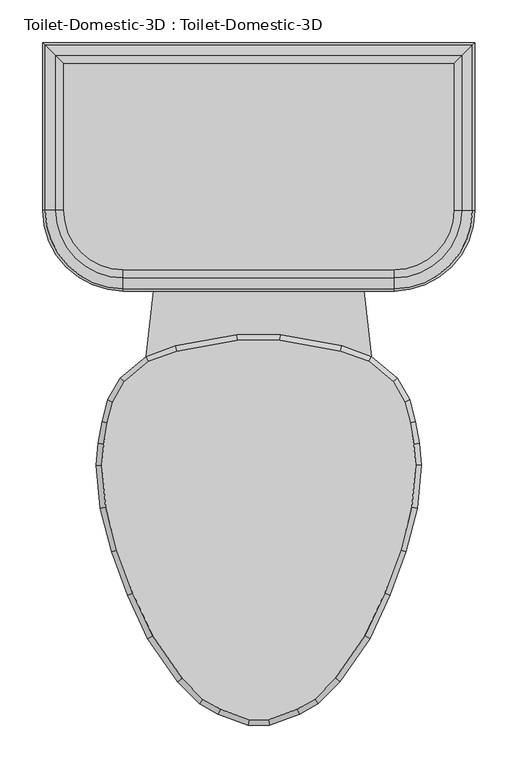
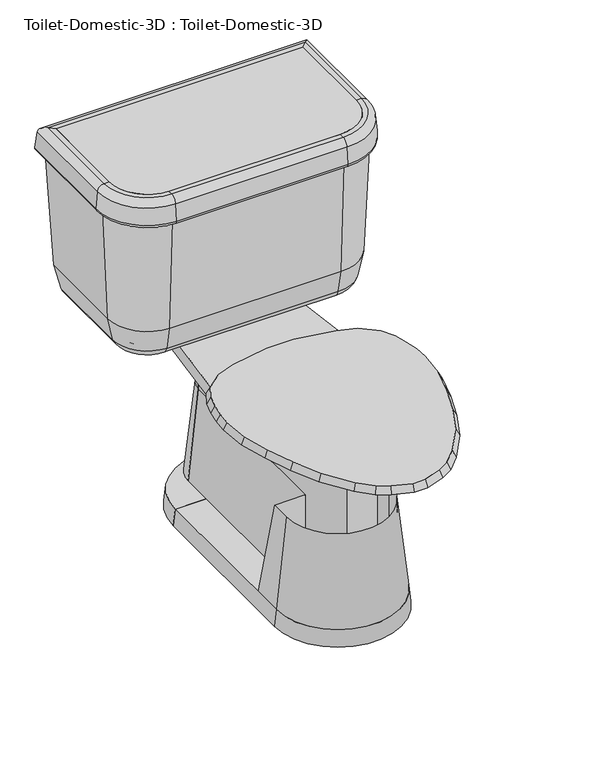
"""IFC4 building model written with IfcOpenShell, lengths in millimetres: flow terminal geometry, Toilet-Domestic-3D : Toilet-Domestic-3D."""

from ifc_helpers import new_model, si_unit, point, frame, frame_2d, origin, place, context, project, spatial, polyline, circle_curve, ellipse_curve, trimmed, segment, composite_curve, outline, extrude, faceted_brep, source, transform, mapped, element, save
from ifc_brep_helpers import plane_surface, cylinder_surface, revolved_surface, advanced_brep


def toilet_domestic_3d_toilet_domestic_3d_f7549cf7(model_context):
    return source(origin(), model_context, "Body", "SolidModel", [
        advanced_brep(
        [(-117.7636364, 285.75, 0.0), (-38.1, 285.75, 0.0), (-38.1, 285.75, 31.75), (-114.3, 285.75, 31.75), (117.7636364, 285.75, 0.0), (114.3, 285.75, 31.75), (38.1, 285.75, 31.75), (38.1, 285.75, 0.0)],
        [
            (0, 1),
            (1, 2),
            (2, 3),
            (3, 0),
            (4, 5),
            (5, 6),
            (6, 7),
            (7, 4),
            (7, 1, circle_curve(frame((0.0, 285.75, 0.0), z_axis=(0.0, 0.0, 1.0), x_axis=(-1.0, 0.0, 0.0)), 38.1)),
            (0, 4, circle_curve(frame((0.0, 285.75, 0.0), z_axis=(0.0, 0.0, -1.0), x_axis=(-1.0, 0.0, 0.0)), 117.7636364)),
            (6, 2, circle_curve(frame((0.0, 285.75, 31.75), z_axis=(0.0, 0.0, 1.0), x_axis=(-1.0, 0.0, 0.0)), 38.1)),
            (5, 3, circle_curve(frame((0.0, 285.75, 31.75), z_axis=(0.0, 0.0, 1.0), x_axis=(-1.0, 0.0, 0.0)), 114.3)),
        ],
        [
            plane_surface(frame((0.0, 285.75, -304.8), z_axis=(0.0, -1.0, 0.0), x_axis=(-1.0, 0.0, 0.0))),
            plane_surface(frame((0.0, 285.75, -304.8), z_axis=(0.0, -1.0, 0.0), x_axis=(1.0, 0.0, 0.0))),
            plane_surface(frame((0.0, 285.75, 0.0), z_axis=(0.0, 0.0, -1.0), x_axis=(-1.0, 0.0, 0.0))),
            revolved_surface(polyline([(-38.1, 285.75, 0.0), (-38.1, 285.75, 31.75)]), (0.0, 285.75, -304.8), (0.0, 0.0, -1.0)),
            plane_surface(frame((0.0, 285.75, 31.75), z_axis=(0.0, 0.0, 1.0), x_axis=(-1.0, 0.0, 0.0))),
            revolved_surface(polyline([(-114.3, 285.75, 31.75), (-117.7636364, 285.75, 0.0)]), (0.0, 285.75, -304.8), (0.0, 0.0, -1.0)),
        ],
        [
            (0, [[1, 2, 3, 4]]),
            (1, [[5, 6, 7, 8]]),
            (2, [[9, -1, 10, -8]]),
            (3, [[11, -2, -9, -7]]),
            (4, [[12, -3, -11, -6]]),
            (5, [[-10, -4, -12, -5]]),
        ],
    ),
        advanced_brep(
        [(-38.1, 342.9, 206.375), (-57.15, 342.9, 31.75), (-38.1, 342.9, 31.75), (38.1, 342.9, 206.375), (38.1, 342.9, 31.75), (57.15, 342.9, 31.75)],
        [
            (0, 1),
            (1, 2),
            (2, 0),
            (3, 4),
            (4, 5),
            (5, 3),
            (5, 1, circle_curve(frame((0.0, 342.9, 31.75), z_axis=(0.0, 0.0, 1.0), x_axis=(-1.0, 0.0, 0.0)), 57.15)),
            (0, 3, circle_curve(frame((0.0, 342.9, 206.375), z_axis=(0.0, 0.0, -1.0), x_axis=(-1.0, 0.0, 0.0)), 38.1)),
            (4, 2, circle_curve(frame((0.0, 342.9, 31.75), z_axis=(0.0, 0.0, 1.0), x_axis=(-1.0, 0.0, 0.0)), 38.1)),
        ],
        [
            plane_surface(frame((0.0, 342.9, 31.75), z_axis=(0.0, -1.0, 0.0), x_axis=(-1.0, 0.0, 0.0))),
            plane_surface(frame((0.0, 342.9, 31.75), z_axis=(0.0, -1.0, 0.0), x_axis=(1.0, 0.0, 0.0))),
            revolved_surface(polyline([(-38.1, 342.9, 206.375), (-57.15, 342.9, 31.75)]), (0.0, 342.9, 31.75), (0.0, 0.0, -1.0)),
            plane_surface(frame((0.0, 342.9, 31.75), z_axis=(0.0, 0.0, -1.0), x_axis=(-1.0, 0.0, 0.0))),
            revolved_surface(polyline([(-38.1, 342.9, 31.75), (-38.1, 342.9, 206.375)]), (0.0, 342.9, 31.75), (0.0, 0.0, -1.0)),
        ],
        [
            (0, [[1, 2, 3]]),
            (1, [[4, 5, 6]]),
            (2, [[7, -1, 8, -6]]),
            (3, [[9, -2, -7, -5]]),
            (4, [[-8, -3, -9, -4]]),
        ],
    ),
        faceted_brep([(-157.6293435, 97.472128, 400.05), (-171.060664, 73.773864, 400.05), (-177.5851102, 49.4242991, 400.05), (-181.9845715, 24.4737144, 400.05), (-184.125744, 0.0, 400.05), (-179.7950716, -49.4998127, 400.05), (-166.347, -99.688699, 400.05), (-148.0469602, -149.9676451, 400.05), (-124.7045808, -200.0255393, 400.05), (-90.0971582, -249.9125941, 400.05), (-65.691017, -274.3187354, 400.05), (-44.8990862, -286.3229622, 400.05), (-11.5803237, -298.45, 400.05), (11.5803237, -298.45, 400.05), (44.8990862, -286.3229622, 400.05), (65.691017, -274.3187354, 400.05), (90.0971582, -249.9125941, 400.05), (124.7045808, -200.0255393, 400.05), (148.0469602, -149.9676451, 400.05), (166.347, -99.688699, 400.05), (179.7950716, -49.4998127, 400.05), (184.125744, 0.0, 400.05), (181.9845715, 24.4737144, 400.05), (177.5851102, 49.4242991, 400.05), (171.060664, 73.773864, 400.05), (157.6293435, 97.472128, 400.05), (129.0942628, 121.4159037, 400.05), (95.7755003, 133.5429415, 400.05), (24.844447, 146.05, 400.05), (-24.844447, 146.05, 400.05), (-95.7755003, 133.5429415, 400.05), (-129.0942628, 121.4159037, 400.05), (-162.5887836, 101.6, 387.2181453), (-132.3182423, 127.0, 387.2181453), (-97.4252791, 139.7, 387.2181453), (-25.4, 152.4, 387.2181453), (25.4, 152.4, 387.2181453), (97.4252791, 139.7, 387.2181453), (132.3182423, 127.0, 387.2181453), (162.5887836, 101.6, 387.2181453), (176.9845865, 76.2, 387.2181453), (183.790496, 50.8, 387.2181453), (188.2862441, 25.3033453, 387.2181453), (190.5, 0.0, 387.2181453), (186.0724883, -50.6066907, 387.2181453), (172.4088722, -101.6, 387.2181453), (153.9191843, -152.4, 387.2181453), (130.2307553, -203.2, 387.2181453), (94.9900085, -254.0, 387.2181453), (69.5900085, -279.4, 387.2181453), (47.5929632, -292.1, 387.2181453), (12.7, -304.8, 387.2181453), (-12.7, -304.8, 387.2181453), (-47.5929632, -292.1, 387.2181453), (-69.5900085, -279.4, 387.2181453), (-94.9900085, -254.0, 387.2181453), (-130.2307553, -203.2, 387.2181453), (-153.9191843, -152.4, 387.2181453), (-172.4088722, -101.6, 387.2181453), (-186.0724883, -50.6066907, 387.2181453), (-190.5, 0.0, 387.2181453), (-188.2862441, 25.3033453, 387.2181453), (-183.790496, 50.8, 387.2181453), (-176.9845865, 76.2, 387.2181453)], [[[0, 1, 2, 3, 4, 5, 6, 7, 8, 9, 10, 11, 12, 13, 14, 15, 16, 17, 18, 19, 20, 21, 22, 23, 24, 25, 26, 27, 28, 29, 30, 31]], [[32, 33, 34, 35, 36, 37, 38, 39, 40, 41, 42, 43, 44, 45, 46, 47, 48, 49, 50, 51, 52, 53, 54, 55, 56, 57, 58, 59, 60, 61, 62, 63]], [[32, 63, 1, 0]], [[63, 62, 2, 1]], [[62, 61, 3, 2]], [[61, 60, 4, 3]], [[60, 59, 5, 4]], [[59, 58, 6, 5]], [[58, 57, 7, 6]], [[57, 56, 8, 7]], [[56, 55, 9, 8]], [[55, 54, 10, 9]], [[54, 53, 11, 10]], [[53, 52, 12, 11]], [[52, 51, 13, 12]], [[51, 50, 14, 13]], [[50, 49, 15, 14]], [[49, 48, 16, 15]], [[48, 47, 17, 16]], [[47, 46, 18, 17]], [[46, 45, 19, 18]], [[45, 44, 20, 19]], [[44, 43, 21, 20]], [[43, 42, 22, 21]], [[42, 41, 23, 22]], [[41, 40, 24, 23]], [[40, 39, 25, 24]], [[39, 38, 26, 25]], [[38, 37, 27, 26]], [[37, 36, 28, 27]], [[36, 35, 29, 28]], [[35, 34, 30, 29]], [[34, 33, 31, 30]], [[33, 32, 0, 31]]]),
        extrude(outline(composite_curve([segment(polyline([(228.5868869, 469.8868869), (228.5868869, 298.45)]), True, "CONTINUOUS"), segment(trimmed(circle_curve(frame_2d((158.75, 298.45)), 69.8368869), [point((228.5868869, 298.45))], [point((158.75, 228.6131131))], False, "CARTESIAN"), True, "CONTINUOUS"), segment(polyline([(158.75, 228.6131131), (-158.75, 228.6131131)]), True, "CONTINUOUS"), segment(trimmed(circle_curve(frame_2d((-158.75, 298.45)), 69.8368869), [point((-158.75, 228.6131131))], [point((-228.5868869, 298.45))], False, "CARTESIAN"), True, "CONTINUOUS"), segment(polyline([(-228.5868869, 298.45), (-228.5868869, 469.8868869), (228.5868869, 469.8868869)]), True, "CONTINUOUS")], self_intersect=False)), frame((0.0, 0.0, 654.05), z_axis=(0.0, 0.0, 1.0), x_axis=(1.0, 0.0, 0.0)), (0.0, 0.0, 1.0), 50.8),
        extrude(outline(composite_curve([segment(trimmed(circle_curve(frame_2d((0.0, 342.9)), 38.1), [point((-38.1, 342.9))], [point((38.1, 342.9))], False, "CARTESIAN"), True, "CONTINUOUS"), segment(polyline([(38.1, 342.9), (-38.1, 342.9)]), True, "CONTINUOUS")], self_intersect=False)), frame((0.0, 0.0, 206.375), z_axis=(0.0, 0.0, 1.0), x_axis=(1.0, 0.0, 0.0)), (0.0, 0.0, 1.0), 130.175),
        advanced_brep(
        [(177.8, 419.1, 387.2181453), (177.8, 419.1, 374.65), (177.8, 298.45, 374.65), (177.8, 298.45, 387.2181453), (192.8020829, 434.1020829, 387.2181453), (192.8020829, 298.45, 387.2181453), (211.4650931, 452.7650931, 402.4478636), (211.4650931, 298.45, 402.4478636), (218.7732506, 460.0732506, 438.15), (218.7732506, 298.45, 438.15), (228.5868869, 469.8868869, 654.05), (228.5868869, 298.45, 654.05), (228.5868869, 469.8868869, 704.85), (228.5868869, 298.45, 704.85), (237.91817, 479.21817, 704.85), (237.91817, 298.45, 704.85), (250.5698426, 491.8698426, 693.2568779), (250.5698426, 298.45, 693.2568779), (253.3960274, 494.6960274, 660.953439), (253.3960274, 298.45, 660.953439), (247.070191, 488.370191, 654.05), (247.070191, 298.45, 654.05), (241.3, 482.6, 654.05), (241.3, 298.45, 654.05), (231.4863636, 472.7863636, 438.15), (231.4863636, 298.45, 438.15), (222.3416824, 463.6416824, 393.4759963), (222.3416824, 298.45, 393.4759963), (197.8071664, 439.1071664, 374.65), (197.8071664, 298.45, 374.65), (158.75, 279.4, 387.2181453), (158.75, 279.4, 374.65), (158.75, 264.3979171, 387.2181453), (158.75, 245.7349069, 402.4478636), (158.75, 238.4267494, 438.15), (158.75, 228.6131131, 654.05), (158.75, 228.6131131, 704.85), (158.75, 219.28183, 704.85), (158.75, 206.6301574, 693.2568779), (158.75, 203.8039726, 660.953439), (158.75, 210.129809, 654.05), (158.75, 215.9, 654.05), (158.75, 225.7136364, 438.15), (158.75, 234.8583176, 393.4759963), (158.75, 259.3928336, 374.65), (-158.75, 279.4, 374.65), (-158.75, 279.4, 387.2181453), (-158.75, 264.3979171, 387.2181453), (-158.75, 245.7349069, 402.4478636), (-158.75, 238.4267494, 438.15), (-158.75, 228.6131131, 654.05), (-158.75, 228.6131131, 704.85), (-158.75, 219.28183, 704.85), (-158.75, 206.6301574, 693.2568779), (-158.75, 203.8039726, 660.953439), (-158.75, 210.129809, 654.05), (-158.75, 215.9, 654.05), (-158.75, 225.7136364, 438.15), (-158.75, 234.8583176, 393.4759963), (-158.75, 259.3928336, 374.65), (-177.8, 298.45, 387.2181453), (-177.8, 298.45, 374.65), (-192.8020829, 298.45, 387.2181453), (-211.4650931, 298.45, 402.4478636), (-218.7732506, 298.45, 438.15), (-228.5868869, 298.45, 654.05), (-228.5868869, 298.45, 704.85), (-237.91817, 298.45, 704.85), (-250.5698426, 298.45, 693.2568779), (-253.3960274, 298.45, 660.953439), (-247.070191, 298.45, 654.05), (-241.3, 298.45, 654.05), (-231.4863636, 298.45, 438.15), (-222.3416824, 298.45, 393.4759963), (-197.8071664, 298.45, 374.65), (-177.8, 419.1, 374.65), (-177.8, 419.1, 387.2181453), (-192.8020829, 434.1020829, 387.2181453), (-211.4650931, 452.7650931, 402.4478636), (-218.7732506, 460.0732506, 438.15), (-228.5868869, 469.8868869, 654.05), (-228.5868869, 469.8868869, 704.85), (-237.91817, 479.21817, 704.85), (-250.5698426, 491.8698426, 693.2568779), (-253.3960274, 494.6960274, 660.953439), (-247.070191, 488.370191, 654.05), (-241.3, 482.6, 654.05), (-231.4863636, 472.7863636, 438.15), (-222.3416824, 463.6416824, 393.4759963), (-197.8071664, 439.1071664, 374.65)],
        [
            (0, 1),
            (1, 2),
            (2, 3),
            (3, 0),
            (4, 0),
            (3, 5),
            (5, 4),
            (6, 4, ellipse_curve(frame((192.8020829, 434.1020829, 406.2681453), z_axis=(-0.7071067811865451, 0.7071067811865498, 0.0), x_axis=(-0.7071067811865497, -0.7071067811865452, 0.0)), 26.9407684, 19.05)),
            (5, 7, circle_curve(frame((192.8020829, 298.45, 406.2681453), z_axis=(0.0, -1.0, 0.0), x_axis=(1.0, 0.0, 0.0)), 19.05)),
            (7, 6),
            (8, 6),
            (7, 9),
            (9, 8),
            (10, 8),
            (9, 11),
            (11, 10),
            (12, 10),
            (11, 13),
            (13, 12),
            (14, 12),
            (13, 15),
            (15, 14),
            (16, 14, ellipse_curve(frame((237.91817, 479.21817, 692.15), z_axis=(0.7071067811865451, -0.7071067811865498, 0.0), x_axis=(0.7071067811865497, 0.7071067811865452, 0.0)), 17.9605122, 12.7)),
            (15, 17, circle_curve(frame((237.91817, 298.45, 692.15), z_axis=(0.0, 1.0, 0.0), x_axis=(1.0, 0.0, 0.0)), 12.7)),
            (17, 16),
            (18, 16),
            (17, 19),
            (19, 18),
            (20, 18, ellipse_curve(frame((247.070191, 488.370191, 660.4), z_axis=(0.7071067811865451, -0.7071067811865498, 0.0), x_axis=(0.7071067811865497, 0.7071067811865452, 0.0)), 8.9802561, 6.35)),
            (19, 21, circle_curve(frame((247.070191, 298.45, 660.4), z_axis=(0.0, 1.0, 0.0), x_axis=(1.0, 0.0, 0.0)), 6.35)),
            (21, 20),
            (22, 20),
            (21, 23),
            (23, 22),
            (24, 22),
            (23, 25),
            (25, 24),
            (26, 24),
            (25, 27),
            (27, 26),
            (28, 26, ellipse_curve(frame((197.8071664, 439.1071664, 400.05), z_axis=(0.7071067811865451, -0.7071067811865498, 0.0), x_axis=(0.7071067811865497, 0.7071067811865452, 0.0)), 35.9210245, 25.4)),
            (27, 29, circle_curve(frame((197.8071664, 298.45, 400.05), z_axis=(0.0, 1.0, 0.0), x_axis=(1.0, 0.0, 0.0)), 25.4)),
            (29, 28),
            (1, 28),
            (29, 2),
            (30, 3, circle_curve(frame((158.75, 298.45, 387.2181453), z_axis=(0.0, 0.0, 1.0), x_axis=(1.0, 0.0, 0.0)), 19.05)),
            (2, 31, circle_curve(frame((158.75, 298.45, 374.65), z_axis=(0.0, 0.0, -1.0), x_axis=(1.0, 0.0, 0.0)), 19.05)),
            (31, 30),
            (32, 5, circle_curve(frame((158.75, 298.45, 387.2181453), z_axis=(0.0, 0.0, 1.0), x_axis=(1.0, 0.0, 0.0)), 34.0520829)),
            (30, 32),
            (33, 7, circle_curve(frame((158.75, 298.45, 402.4478636), z_axis=(0.0, 0.0, 1.0), x_axis=(1.0, 0.0, 0.0)), 52.7150931)),
            (32, 33, circle_curve(frame((158.75, 264.3979171, 406.2681453), z_axis=(-1.0, 0.0, 0.0), x_axis=(0.0, -1.0, 0.0)), 19.05)),
            (34, 9, circle_curve(frame((158.75, 298.45, 438.15), z_axis=(0.0, 0.0, 1.0), x_axis=(1.0, 0.0, 0.0)), 60.0232506)),
            (33, 34),
            (35, 11, circle_curve(frame((158.75, 298.45, 654.05), z_axis=(0.0, 0.0, 1.0), x_axis=(1.0, 0.0, 0.0)), 69.8368869)),
            (34, 35),
            (36, 13, circle_curve(frame((158.75, 298.45, 704.85), z_axis=(0.0, 0.0, 1.0), x_axis=(1.0, 0.0, 0.0)), 69.8368869)),
            (35, 36),
            (37, 15, circle_curve(frame((158.75, 298.45, 704.85), z_axis=(0.0, 0.0, 1.0), x_axis=(1.0, 0.0, 0.0)), 79.16817)),
            (36, 37),
            (38, 17, circle_curve(frame((158.75, 298.45, 693.2568779), z_axis=(0.0, 0.0, 1.0), x_axis=(1.0, 0.0, 0.0)), 91.8198426)),
            (37, 38, circle_curve(frame((158.75, 219.28183, 692.15), z_axis=(1.0, 0.0, 0.0), x_axis=(0.0, -1.0, 0.0)), 12.7)),
            (39, 19, circle_curve(frame((158.75, 298.45, 660.953439), z_axis=(0.0, 0.0, 1.0), x_axis=(1.0, 0.0, 0.0)), 94.6460274)),
            (38, 39),
            (40, 21, circle_curve(frame((158.75, 298.45, 654.05), z_axis=(0.0, 0.0, 1.0), x_axis=(1.0, 0.0, 0.0)), 88.320191)),
            (39, 40, circle_curve(frame((158.75, 210.129809, 660.4), z_axis=(1.0, 0.0, 0.0), x_axis=(0.0, -1.0, 0.0)), 6.35)),
            (41, 23, circle_curve(frame((158.75, 298.45, 654.05), z_axis=(0.0, 0.0, 1.0), x_axis=(1.0, 0.0, 0.0)), 82.55)),
            (40, 41),
            (42, 25, circle_curve(frame((158.75, 298.45, 438.15), z_axis=(0.0, 0.0, 1.0), x_axis=(1.0, 0.0, 0.0)), 72.7363636)),
            (41, 42),
            (43, 27, circle_curve(frame((158.75, 298.45, 393.4759963), z_axis=(0.0, 0.0, 1.0), x_axis=(1.0, 0.0, 0.0)), 63.5916824)),
            (42, 43),
            (44, 29, circle_curve(frame((158.75, 298.45, 374.65), z_axis=(0.0, 0.0, 1.0), x_axis=(1.0, 0.0, 0.0)), 39.0571664)),
            (43, 44, circle_curve(frame((158.75, 259.3928336, 400.05), z_axis=(1.0, 0.0, 0.0), x_axis=(0.0, -1.0, 0.0)), 25.4)),
            (44, 31),
            (31, 45),
            (45, 46),
            (46, 30),
            (46, 47),
            (47, 32),
            (47, 48, circle_curve(frame((-158.75, 264.3979171, 406.2681453), z_axis=(-1.0, 0.0, 0.0), x_axis=(0.0, -1.0, 0.0)), 19.05)),
            (48, 33),
            (48, 49),
            (49, 34),
            (49, 50),
            (50, 35),
            (50, 51),
            (51, 36),
            (51, 52),
            (52, 37),
            (52, 53, circle_curve(frame((-158.75, 219.28183, 692.15), z_axis=(1.0, 0.0, 0.0), x_axis=(0.0, -1.0, 0.0)), 12.7)),
            (53, 38),
            (53, 54),
            (54, 39),
            (54, 55, circle_curve(frame((-158.75, 210.129809, 660.4), z_axis=(1.0, 0.0, 0.0), x_axis=(0.0, -1.0, 0.0)), 6.35)),
            (55, 40),
            (55, 56),
            (56, 41),
            (56, 57),
            (57, 42),
            (57, 58),
            (58, 43),
            (58, 59, circle_curve(frame((-158.75, 259.3928336, 400.05), z_axis=(1.0, 0.0, 0.0), x_axis=(0.0, -1.0, 0.0)), 25.4)),
            (59, 44),
            (59, 45),
            (60, 46, circle_curve(frame((-158.75, 298.45, 387.2181453), z_axis=(0.0, 0.0, 1.0), x_axis=(0.0, -1.0, 0.0)), 19.05)),
            (45, 61, circle_curve(frame((-158.75, 298.45, 374.65), z_axis=(0.0, 0.0, -1.0), x_axis=(0.0, -1.0, 0.0)), 19.05)),
            (61, 60),
            (62, 47, circle_curve(frame((-158.75, 298.45, 387.2181453), z_axis=(0.0, 0.0, 1.0), x_axis=(0.0, -1.0, 0.0)), 34.0520829)),
            (60, 62),
            (63, 48, circle_curve(frame((-158.75, 298.45, 402.4478636), z_axis=(0.0, 0.0, 1.0), x_axis=(0.0, -1.0, 0.0)), 52.7150931)),
            (62, 63, circle_curve(frame((-192.8020829, 298.45, 406.2681453), z_axis=(0.0, 1.0, 0.0), x_axis=(-1.0, 0.0, 0.0)), 19.05)),
            (64, 49, circle_curve(frame((-158.75, 298.45, 438.15), z_axis=(0.0, 0.0, 1.0), x_axis=(0.0, -1.0, 0.0)), 60.0232506)),
            (63, 64),
            (65, 50, circle_curve(frame((-158.75, 298.45, 654.05), z_axis=(0.0, 0.0, 1.0), x_axis=(0.0, -1.0, 0.0)), 69.8368869)),
            (64, 65),
            (66, 51, circle_curve(frame((-158.75, 298.45, 704.85), z_axis=(0.0, 0.0, 1.0), x_axis=(0.0, -1.0, 0.0)), 69.8368869)),
            (65, 66),
            (67, 52, circle_curve(frame((-158.75, 298.45, 704.85), z_axis=(0.0, 0.0, 1.0), x_axis=(0.0, -1.0, 0.0)), 79.16817)),
            (66, 67),
            (68, 53, circle_curve(frame((-158.75, 298.45, 693.2568779), z_axis=(0.0, 0.0, 1.0), x_axis=(0.0, -1.0, 0.0)), 91.8198426)),
            (67, 68, circle_curve(frame((-237.91817, 298.45, 692.15), z_axis=(0.0, -1.0, 0.0), x_axis=(-1.0, 0.0, 0.0)), 12.7)),
            (69, 54, circle_curve(frame((-158.75, 298.45, 660.953439), z_axis=(0.0, 0.0, 1.0), x_axis=(0.0, -1.0, 0.0)), 94.6460274)),
            (68, 69),
            (70, 55, circle_curve(frame((-158.75, 298.45, 654.05), z_axis=(0.0, 0.0, 1.0), x_axis=(0.0, -1.0, 0.0)), 88.320191)),
            (69, 70, circle_curve(frame((-247.070191, 298.45, 660.4), z_axis=(0.0, -1.0, 0.0), x_axis=(-1.0, 0.0, 0.0)), 6.35)),
            (71, 56, circle_curve(frame((-158.75, 298.45, 654.05), z_axis=(0.0, 0.0, 1.0), x_axis=(0.0, -1.0, 0.0)), 82.55)),
            (70, 71),
            (72, 57, circle_curve(frame((-158.75, 298.45, 438.15), z_axis=(0.0, 0.0, 1.0), x_axis=(0.0, -1.0, 0.0)), 72.7363636)),
            (71, 72),
            (73, 58, circle_curve(frame((-158.75, 298.45, 393.4759963), z_axis=(0.0, 0.0, 1.0), x_axis=(0.0, -1.0, 0.0)), 63.5916824)),
            (72, 73),
            (74, 59, circle_curve(frame((-158.75, 298.45, 374.65), z_axis=(0.0, 0.0, 1.0), x_axis=(0.0, -1.0, 0.0)), 39.0571664)),
            (73, 74, circle_curve(frame((-197.8071664, 298.45, 400.05), z_axis=(0.0, -1.0, 0.0), x_axis=(-1.0, 0.0, 0.0)), 25.4)),
            (74, 61),
            (61, 75),
            (75, 76),
            (76, 60),
            (76, 77),
            (77, 62),
            (77, 78, ellipse_curve(frame((-192.8020829, 434.1020829, 406.2681453), z_axis=(0.7071067811865498, 0.7071067811865451, 0.0), x_axis=(-0.7071067811865451, 0.70710678118655, 0.0)), 26.9407684, 19.05)),
            (78, 63),
            (78, 79),
            (79, 64),
            (79, 80),
            (80, 65),
            (80, 81),
            (81, 66),
            (81, 82),
            (82, 67),
            (82, 83, ellipse_curve(frame((-237.91817, 479.21817, 692.15), z_axis=(-0.7071067811865498, -0.7071067811865451, 0.0), x_axis=(0.7071067811865451, -0.70710678118655, 0.0)), 17.9605122, 12.7)),
            (83, 68),
            (83, 84),
            (84, 69),
            (84, 85, ellipse_curve(frame((-247.070191, 488.370191, 660.4), z_axis=(-0.7071067811865498, -0.7071067811865451, 0.0), x_axis=(0.7071067811865451, -0.70710678118655, 0.0)), 8.9802561, 6.35)),
            (85, 70),
            (85, 86),
            (86, 71),
            (86, 87),
            (87, 72),
            (87, 88),
            (88, 73),
            (88, 89, ellipse_curve(frame((-197.8071664, 439.1071664, 400.05), z_axis=(-0.7071067811865498, -0.7071067811865451, 0.0), x_axis=(0.7071067811865451, -0.70710678118655, 0.0)), 35.9210245, 25.4)),
            (89, 74),
            (89, 75),
            (75, 1),
            (0, 76),
            (4, 77),
            (6, 78),
            (8, 79),
            (10, 80),
            (12, 81),
            (14, 82),
            (16, 83),
            (18, 84),
            (20, 85),
            (22, 86),
            (24, 87),
            (26, 88),
            (28, 89),
        ],
        [
            plane_surface(frame((177.8, 419.1, 374.65), z_axis=(-1.0, 0.0, 0.0), x_axis=(0.0, -1.0, 0.0))),
            plane_surface(frame((177.8, 419.1, 387.2181453), z_axis=(0.0, 0.0, 1.0), x_axis=(0.0, -1.0, 0.0))),
            revolved_surface(polyline([(211.8520829, 298.45, 406.2681453), (211.8520829, 453.1520829260162, 406.2681453)]), (192.8020829, 419.1, 406.2681453), (0.0, -1.0, 0.0)),
            plane_surface(frame((211.4650931, 452.7650931, 402.4478636), z_axis=(-0.9796855721787505, 0.0, 0.2005397209153197), x_axis=(0.0, -1.0, 0.0))),
            plane_surface(frame((218.7732506, 460.0732506, 438.15), z_axis=(-0.9989685402102995, 0.0, 0.045407660918654086), x_axis=(0.0, -1.0, 0.0))),
            plane_surface(frame((228.5868869, 469.8868869, 654.05), z_axis=(-1.0, 0.0, 0.0), x_axis=(0.0, -1.0, 0.0))),
            plane_surface(frame((228.5868869, 469.8868869, 704.85), z_axis=(0.0, 0.0, 1.0), x_axis=(0.0, -1.0, 0.0))),
            cylinder_surface(frame((237.91817, 419.1, 692.15), z_axis=(0.0, 1.0, 0.0), x_axis=(1.0, 0.0, 0.0)), 12.7),
            plane_surface(frame((250.5698426, 491.8698426, 693.2568779), z_axis=(0.9961946980917452, 0.0, 0.08715574274766269), x_axis=(0.0, -1.0, 0.0))),
            cylinder_surface(frame((247.070191, 419.1, 660.4), z_axis=(0.0, 1.0, 0.0), x_axis=(1.0, 0.0, 0.0)), 6.35),
            plane_surface(frame((247.070191, 488.370191, 654.05), z_axis=(0.0, 0.0, -1.0), x_axis=(0.0, -1.0, 0.0))),
            plane_surface(frame((241.3, 482.6, 654.05), z_axis=(0.9989685402102993, 0.0, -0.04540766091865594), x_axis=(0.0, -1.0, 0.0))),
            plane_surface(frame((231.4863636, 472.7863636, 438.15), z_axis=(0.9796855721787489, 0.0, -0.20053972091532798), x_axis=(0.0, -1.0, 0.0))),
            cylinder_surface(frame((197.8071664, 419.1, 400.05), z_axis=(0.0, 1.0, 0.0), x_axis=(1.0, 0.0, 0.0)), 25.4),
            plane_surface(frame((197.8071664, 439.1071664, 374.65), z_axis=(0.0, 0.0, -1.0), x_axis=(0.0, -1.0, 0.0))),
            revolved_surface(polyline([(177.8, 298.45, 374.65), (177.8, 298.45, 387.2181453)]), (158.75, 298.45, 0.0), (0.0, 0.0, -1.0)),
            plane_surface(frame((158.75, 298.45, 387.2181453), z_axis=(0.0, 0.0, 1.0), x_axis=(1.0, 0.0, 0.0))),
            revolved_surface(trimmed(ellipse_curve(frame((192.8020829, 298.45, 406.2681453), z_axis=(0.0, -1.0, 0.0), x_axis=(1.0, 0.0, 0.0)), 19.05, 19.05), [point((192.8020829, 298.45, 387.2181453))], [point((211.4650931, 298.45, 402.4478636))], True, "CARTESIAN"), (158.75, 298.45, 0.0), (0.0, 0.0, -1.0)),
            revolved_surface(polyline([(211.4650931, 298.45, 402.4478636), (218.7732506, 298.45, 438.15)]), (158.75, 298.45, 0.0), (0.0, 0.0, -1.0)),
            revolved_surface(polyline([(218.7732506, 298.45, 438.15), (228.5868869, 298.45, 654.05)]), (158.75, 298.45, 0.0), (0.0, 0.0, -1.0)),
            revolved_surface(polyline([(228.5868869, 298.45, 654.05), (228.5868869, 298.45, 704.85)]), (158.75, 298.45, 0.0), (0.0, 0.0, -1.0)),
            plane_surface(frame((158.75, 298.45, 704.85), z_axis=(0.0, 0.0, 1.0), x_axis=(1.0, 0.0, 0.0))),
            revolved_surface(trimmed(ellipse_curve(frame((237.91817, 298.45, 692.15), z_axis=(0.0, 1.0, 0.0), x_axis=(1.0, 0.0, 0.0)), 12.7, 12.7), [point((237.91817, 298.45, 704.85))], [point((250.5698426, 298.45, 693.2568779))], True, "CARTESIAN"), (158.75, 298.45, 0.0), (0.0, 0.0, -1.0)),
            revolved_surface(polyline([(250.5698426, 298.45, 693.2568779), (253.3960274, 298.45, 660.953439)]), (158.75, 298.45, 0.0), (0.0, 0.0, -1.0)),
            revolved_surface(trimmed(ellipse_curve(frame((247.070191, 298.45, 660.4), z_axis=(0.0, 1.0, 0.0), x_axis=(1.0, 0.0, 0.0)), 6.35, 6.35), [point((253.3960274, 298.45, 660.953439))], [point((247.070191, 298.45, 654.05))], True, "CARTESIAN"), (158.75, 298.45, 0.0), (0.0, 0.0, -1.0)),
            plane_surface(frame((158.75, 298.45, 654.05), z_axis=(0.0, 0.0, -1.0), x_axis=(1.0, 0.0, 0.0))),
            revolved_surface(polyline([(241.3, 298.45, 654.05), (231.4863636, 298.45, 438.15)]), (158.75, 298.45, 0.0), (0.0, 0.0, -1.0)),
            revolved_surface(polyline([(231.4863636, 298.45, 438.15), (222.3416824, 298.45, 393.4759963)]), (158.75, 298.45, 0.0), (0.0, 0.0, -1.0)),
            revolved_surface(trimmed(ellipse_curve(frame((197.8071664, 298.45, 400.05), z_axis=(0.0, 1.0, 0.0), x_axis=(1.0, 0.0, 0.0)), 25.4, 25.4), [point((222.3416824, 298.45, 393.4759963))], [point((197.8071664, 298.45, 374.65))], True, "CARTESIAN"), (158.75, 298.45, 0.0), (0.0, 0.0, -1.0)),
            plane_surface(frame((158.75, 298.45, 374.65), z_axis=(0.0, 0.0, -1.0), x_axis=(1.0, 0.0, 0.0))),
            plane_surface(frame((158.75, 279.4, 374.65), z_axis=(0.0, 1.0, 0.0), x_axis=(-1.0, 0.0, 0.0))),
            plane_surface(frame((158.75, 279.4, 387.2181453), z_axis=(0.0, 0.0, 1.0), x_axis=(-1.0, 0.0, 0.0))),
            revolved_surface(polyline([(-158.75, 245.34791709999996, 406.2681453), (158.75, 245.34791709999996, 406.2681453)]), (158.75, 264.3979171, 406.2681453), (-1.0, 0.0, 0.0)),
            plane_surface(frame((158.75, 245.7349069, 402.4478636), z_axis=(0.0, 0.9796855721787505, 0.2005397209153197), x_axis=(-1.0, 0.0, 0.0))),
            plane_surface(frame((158.75, 238.4267494, 438.15), z_axis=(0.0, 0.9989685402102995, 0.045407660918654086), x_axis=(-1.0, 0.0, 0.0))),
            plane_surface(frame((158.75, 228.6131131, 654.05), z_axis=(0.0, 1.0, 0.0), x_axis=(-1.0, 0.0, 0.0))),
            plane_surface(frame((158.75, 228.6131131, 704.85), z_axis=(0.0, 0.0, 1.0), x_axis=(-1.0, 0.0, 0.0))),
            cylinder_surface(frame((158.75, 219.28183, 692.15), z_axis=(1.0, 0.0, 0.0), x_axis=(0.0, -1.0, 0.0)), 12.7),
            plane_surface(frame((158.75, 206.6301574, 693.2568779), z_axis=(0.0, -0.9961946980917452, 0.08715574274766269), x_axis=(-1.0, 0.0, 0.0))),
            cylinder_surface(frame((158.75, 210.129809, 660.4), z_axis=(1.0, 0.0, 0.0), x_axis=(0.0, -1.0, 0.0)), 6.35),
            plane_surface(frame((158.75, 210.129809, 654.05), z_axis=(0.0, 0.0, -1.0), x_axis=(-1.0, 0.0, 0.0))),
            plane_surface(frame((158.75, 215.9, 654.05), z_axis=(0.0, -0.9989685402102993, -0.04540766091865594), x_axis=(-1.0, 0.0, 0.0))),
            plane_surface(frame((158.75, 225.7136364, 438.15), z_axis=(0.0, -0.9796855721787489, -0.20053972091532798), x_axis=(-1.0, 0.0, 0.0))),
            cylinder_surface(frame((158.75, 259.3928336, 400.05), z_axis=(1.0, 0.0, 0.0), x_axis=(0.0, -1.0, 0.0)), 25.4),
            plane_surface(frame((158.75, 259.3928336, 374.65), z_axis=(0.0, 0.0, -1.0), x_axis=(-1.0, 0.0, 0.0))),
            revolved_surface(polyline([(-158.75, 279.4, 374.65), (-158.75, 279.4, 387.2181453)]), (-158.75, 298.45, 0.0), (0.0, 0.0, -1.0)),
            plane_surface(frame((-158.75, 298.45, 387.2181453), z_axis=(0.0, 0.0, 1.0), x_axis=(0.0, -1.0, 0.0))),
            revolved_surface(trimmed(ellipse_curve(frame((-158.75, 264.3979171, 406.2681453), z_axis=(-1.0, 0.0, 0.0), x_axis=(0.0, -1.0, 0.0)), 19.05, 19.05), [point((-158.75, 264.3979171, 387.2181453))], [point((-158.75, 245.7349069, 402.4478636))], True, "CARTESIAN"), (-158.75, 298.45, 0.0), (0.0, 0.0, -1.0)),
            revolved_surface(polyline([(-158.75, 245.7349069, 402.4478636), (-158.75, 238.4267494, 438.15)]), (-158.75, 298.45, 0.0), (0.0, 0.0, -1.0)),
            revolved_surface(polyline([(-158.75, 238.4267494, 438.15), (-158.75, 228.6131131, 654.05)]), (-158.75, 298.45, 0.0), (0.0, 0.0, -1.0)),
            revolved_surface(polyline([(-158.75, 228.6131131, 654.05), (-158.75, 228.6131131, 704.85)]), (-158.75, 298.45, 0.0), (0.0, 0.0, -1.0)),
            plane_surface(frame((-158.75, 298.45, 704.85), z_axis=(0.0, 0.0, 1.0), x_axis=(0.0, -1.0, 0.0))),
            revolved_surface(trimmed(ellipse_curve(frame((-158.75, 219.28183, 692.15), z_axis=(1.0, 0.0, 0.0), x_axis=(0.0, -1.0, 0.0)), 12.7, 12.7), [point((-158.75, 219.28183, 704.85))], [point((-158.75, 206.6301574, 693.2568779))], True, "CARTESIAN"), (-158.75, 298.45, 0.0), (0.0, 0.0, -1.0)),
            revolved_surface(polyline([(-158.75, 206.6301574, 693.2568779), (-158.75, 203.8039726, 660.953439)]), (-158.75, 298.45, 0.0), (0.0, 0.0, -1.0)),
            revolved_surface(trimmed(ellipse_curve(frame((-158.75, 210.129809, 660.4), z_axis=(1.0, 0.0, 0.0), x_axis=(0.0, -1.0, 0.0)), 6.35, 6.35), [point((-158.75, 203.8039726, 660.953439))], [point((-158.75, 210.129809, 654.05))], True, "CARTESIAN"), (-158.75, 298.45, 0.0), (0.0, 0.0, -1.0)),
            plane_surface(frame((-158.75, 298.45, 654.05), z_axis=(0.0, 0.0, -1.0), x_axis=(0.0, -1.0, 0.0))),
            revolved_surface(polyline([(-158.75, 215.9, 654.05), (-158.75, 225.7136364, 438.15)]), (-158.75, 298.45, 0.0), (0.0, 0.0, -1.0)),
            revolved_surface(polyline([(-158.75, 225.7136364, 438.15), (-158.75, 234.8583176, 393.4759963)]), (-158.75, 298.45, 0.0), (0.0, 0.0, -1.0)),
            revolved_surface(trimmed(ellipse_curve(frame((-158.75, 259.3928336, 400.05), z_axis=(1.0, 0.0, 0.0), x_axis=(0.0, -1.0, 0.0)), 25.4, 25.4), [point((-158.75, 234.8583176, 393.4759963))], [point((-158.75, 259.3928336, 374.65))], True, "CARTESIAN"), (-158.75, 298.45, 0.0), (0.0, 0.0, -1.0)),
            plane_surface(frame((-158.75, 298.45, 374.65), z_axis=(0.0, 0.0, -1.0), x_axis=(0.0, -1.0, 0.0))),
            plane_surface(frame((-177.8, 298.45, 374.65), z_axis=(1.0, 0.0, 0.0), x_axis=(0.0, 1.0, 0.0))),
            plane_surface(frame((-177.8, 298.45, 387.2181453), z_axis=(0.0, 0.0, 1.0), x_axis=(0.0, 1.0, 0.0))),
            revolved_surface(polyline([(-211.8520829, 453.15208292601636, 406.2681453), (-211.8520829, 298.45, 406.2681453)]), (-192.8020829, 298.45, 406.2681453), (0.0, 1.0, 0.0)),
            plane_surface(frame((-211.4650931, 298.45, 402.4478636), z_axis=(0.9796855721787505, 0.0, 0.2005397209153197), x_axis=(0.0, 1.0, 0.0))),
            plane_surface(frame((-218.7732506, 298.45, 438.15), z_axis=(0.9989685402102995, 0.0, 0.045407660918654086), x_axis=(0.0, 1.0, 0.0))),
            plane_surface(frame((-228.5868869, 298.45, 654.05), z_axis=(1.0, 0.0, 0.0), x_axis=(0.0, 1.0, 0.0))),
            plane_surface(frame((-228.5868869, 298.45, 704.85), z_axis=(0.0, 0.0, 1.0), x_axis=(0.0, 1.0, 0.0))),
            cylinder_surface(frame((-237.91817, 298.45, 692.15), z_axis=(0.0, -1.0, 0.0), x_axis=(-1.0, 0.0, 0.0)), 12.7),
            plane_surface(frame((-250.5698426, 298.45, 693.2568779), z_axis=(-0.9961946980917452, 0.0, 0.08715574274766269), x_axis=(0.0, 1.0, 0.0))),
            cylinder_surface(frame((-247.070191, 298.45, 660.4), z_axis=(0.0, -1.0, 0.0), x_axis=(-1.0, 0.0, 0.0)), 6.35),
            plane_surface(frame((-247.070191, 298.45, 654.05), z_axis=(0.0, 0.0, -1.0), x_axis=(0.0, 1.0, 0.0))),
            plane_surface(frame((-241.3, 298.45, 654.05), z_axis=(-0.9989685402102993, 0.0, -0.04540766091865594), x_axis=(0.0, 1.0, 0.0))),
            plane_surface(frame((-231.4863636, 298.45, 438.15), z_axis=(-0.9796855721787489, 0.0, -0.20053972091532798), x_axis=(0.0, 1.0, 0.0))),
            cylinder_surface(frame((-197.8071664, 298.45, 400.05), z_axis=(0.0, -1.0, 0.0), x_axis=(-1.0, 0.0, 0.0)), 25.4),
            plane_surface(frame((-197.8071664, 298.45, 374.65), z_axis=(0.0, 0.0, -1.0), x_axis=(0.0, 1.0, 0.0))),
            plane_surface(frame((-177.8, 419.1, 374.65), z_axis=(0.0, -1.0, 0.0), x_axis=(1.0, 0.0, 0.0))),
            plane_surface(frame((-177.8, 419.1, 387.2181453), z_axis=(0.0, 0.0, 1.0), x_axis=(1.0, 0.0, 0.0))),
            revolved_surface(polyline([(211.85208292601635, 453.15208290000004, 406.2681453), (-211.85208292601618, 453.15208290000004, 406.2681453)]), (-177.8, 434.1020829, 406.2681453), (1.0, 0.0, 0.0)),
            plane_surface(frame((-211.4650931, 452.7650931, 402.4478636), z_axis=(0.0, -0.9796855721787505, 0.2005397209153197), x_axis=(1.0, 0.0, 0.0))),
            plane_surface(frame((-218.7732506, 460.0732506, 438.15), z_axis=(0.0, -0.9989685402102995, 0.045407660918654086), x_axis=(1.0, 0.0, 0.0))),
            plane_surface(frame((-228.5868869, 469.8868869, 654.05), z_axis=(0.0, -1.0, 0.0), x_axis=(1.0, 0.0, 0.0))),
            plane_surface(frame((-228.5868869, 469.8868869, 704.85), z_axis=(0.0, 0.0, 1.0), x_axis=(1.0, 0.0, 0.0))),
            cylinder_surface(frame((-177.8, 479.21817, 692.15), z_axis=(-1.0, 0.0, 0.0), x_axis=(0.0, 1.0, 0.0)), 12.7),
            plane_surface(frame((-250.5698426, 491.8698426, 693.2568779), z_axis=(0.0, 0.9961946980917452, 0.08715574274766269), x_axis=(1.0, 0.0, 0.0))),
            cylinder_surface(frame((-177.8, 488.370191, 660.4), z_axis=(-1.0, 0.0, 0.0), x_axis=(0.0, 1.0, 0.0)), 6.35),
            plane_surface(frame((-247.070191, 488.370191, 654.05), z_axis=(0.0, 0.0, -1.0), x_axis=(1.0, 0.0, 0.0))),
            plane_surface(frame((-241.3, 482.6, 654.05), z_axis=(0.0, 0.9989685402102993, -0.04540766091865594), x_axis=(1.0, 0.0, 0.0))),
            plane_surface(frame((-231.4863636, 472.7863636, 438.15), z_axis=(0.0, 0.9796855721787489, -0.20053972091532798), x_axis=(1.0, 0.0, 0.0))),
            cylinder_surface(frame((-177.8, 439.1071664, 400.05), z_axis=(-1.0, 0.0, 0.0), x_axis=(0.0, 1.0, 0.0)), 25.4),
            plane_surface(frame((-197.8071664, 439.1071664, 374.65), z_axis=(0.0, 0.0, -1.0), x_axis=(1.0, 0.0, 0.0))),
        ],
        [
            (0, [[1, 2, 3, 4]]),
            (1, [[5, -4, 6, 7]]),
            (2, [[8, -7, 9, 10]]),
            (3, [[11, -10, 12, 13]]),
            (4, [[14, -13, 15, 16]]),
            (5, [[17, -16, 18, 19]]),
            (6, [[20, -19, 21, 22]]),
            (7, [[23, -22, 24, 25]]),
            (8, [[26, -25, 27, 28]]),
            (9, [[29, -28, 30, 31]]),
            (10, [[32, -31, 33, 34]]),
            (11, [[35, -34, 36, 37]]),
            (12, [[38, -37, 39, 40]]),
            (13, [[41, -40, 42, 43]]),
            (14, [[44, -43, 45, -2]]),
            (15, [[46, -3, 47, 48]]),
            (16, [[49, -6, -46, 50]]),
            (17, [[51, -9, -49, 52]]),
            (18, [[53, -12, -51, 54]]),
            (19, [[55, -15, -53, 56]]),
            (20, [[57, -18, -55, 58]]),
            (21, [[59, -21, -57, 60]]),
            (22, [[61, -24, -59, 62]]),
            (23, [[63, -27, -61, 64]]),
            (24, [[65, -30, -63, 66]]),
            (25, [[67, -33, -65, 68]]),
            (26, [[69, -36, -67, 70]]),
            (27, [[71, -39, -69, 72]]),
            (28, [[73, -42, -71, 74]]),
            (29, [[-47, -45, -73, 75]]),
            (30, [[-48, 76, 77, 78]]),
            (31, [[-50, -78, 79, 80]]),
            (32, [[-52, -80, 81, 82]]),
            (33, [[-54, -82, 83, 84]]),
            (34, [[-56, -84, 85, 86]]),
            (35, [[-58, -86, 87, 88]]),
            (36, [[-60, -88, 89, 90]]),
            (37, [[-62, -90, 91, 92]]),
            (38, [[-64, -92, 93, 94]]),
            (39, [[-66, -94, 95, 96]]),
            (40, [[-68, -96, 97, 98]]),
            (41, [[-70, -98, 99, 100]]),
            (42, [[-72, -100, 101, 102]]),
            (43, [[-74, -102, 103, 104]]),
            (44, [[-75, -104, 105, -76]]),
            (45, [[106, -77, 107, 108]]),
            (46, [[109, -79, -106, 110]]),
            (47, [[111, -81, -109, 112]]),
            (48, [[113, -83, -111, 114]]),
            (49, [[115, -85, -113, 116]]),
            (50, [[117, -87, -115, 118]]),
            (51, [[119, -89, -117, 120]]),
            (52, [[121, -91, -119, 122]]),
            (53, [[123, -93, -121, 124]]),
            (54, [[125, -95, -123, 126]]),
            (55, [[127, -97, -125, 128]]),
            (56, [[129, -99, -127, 130]]),
            (57, [[131, -101, -129, 132]]),
            (58, [[133, -103, -131, 134]]),
            (59, [[-107, -105, -133, 135]]),
            (60, [[-108, 136, 137, 138]]),
            (61, [[-110, -138, 139, 140]]),
            (62, [[-112, -140, 141, 142]]),
            (63, [[-114, -142, 143, 144]]),
            (64, [[-116, -144, 145, 146]]),
            (65, [[-118, -146, 147, 148]]),
            (66, [[-120, -148, 149, 150]]),
            (67, [[-122, -150, 151, 152]]),
            (68, [[-124, -152, 153, 154]]),
            (69, [[-126, -154, 155, 156]]),
            (70, [[-128, -156, 157, 158]]),
            (71, [[-130, -158, 159, 160]]),
            (72, [[-132, -160, 161, 162]]),
            (73, [[-134, -162, 163, 164]]),
            (74, [[-135, -164, 165, -136]]),
            (75, [[-137, 166, -1, 167]]),
            (76, [[-139, -167, -5, 168]]),
            (77, [[-141, -168, -8, 169]]),
            (78, [[-143, -169, -11, 170]]),
            (79, [[-145, -170, -14, 171]]),
            (80, [[-147, -171, -17, 172]]),
            (81, [[-149, -172, -20, 173]]),
            (82, [[-151, -173, -23, 174]]),
            (83, [[-153, -174, -26, 175]]),
            (84, [[-155, -175, -29, 176]]),
            (85, [[-157, -176, -32, 177]]),
            (86, [[-159, -177, -35, 178]]),
            (87, [[-161, -178, -38, 179]]),
            (88, [[-163, -179, -41, 180]]),
            (89, [[-165, -180, -44, -166]]),
        ],
    ),
        extrude(outline(composite_curve([segment(polyline([(-25.4, 152.4), (-97.4252791, 139.7), (-132.3182423, 127.0), (-101.4824733, 395.1508638)]), True, "CONTINUOUS"), segment(trimmed(circle_curve(frame_2d((-88.8656197, 393.7)), 12.7), [point((-101.4824733, 395.1508638))], [point((-88.8656197, 406.4))], False, "CARTESIAN"), True, "CONTINUOUS"), segment(polyline([(-88.8656197, 406.4), (88.8656197, 406.4)]), True, "CONTINUOUS"), segment(trimmed(circle_curve(frame_2d((88.8656197, 393.7)), 12.7), [point((88.8656197, 406.4))], [point((101.4824733, 395.1508638))], False, "CARTESIAN"), True, "CONTINUOUS"), segment(polyline([(101.4824733, 395.1508638), (132.3182423, 127.0), (97.4252791, 139.7), (25.4, 152.4), (0.0, 152.4), (-25.4, 152.4)]), True, "CONTINUOUS")], self_intersect=False)), frame((0.0, 0.0, 336.55), z_axis=(0.0, 0.0, 1.0), x_axis=(1.0, 0.0, 0.0)), (0.0, 0.0, 1.0), 25.4),
        extrude(outline(polyline([(139.7, 264.5247209), (152.4, 336.55), (342.9, 336.55), (342.9, 206.375), (107.4852632, 206.375), (127.0, 229.6317577), (139.7, 264.5247209)])), frame((-38.1, 0.0, 0.0), z_axis=(1.0, 0.0, 0.0), x_axis=(0.0, 1.0, 0.0)), (0.0, 0.0, 1.0), 76.2),
        advanced_brep(
        [(-117.7636364, 285.75, 0.0), (-114.3, 285.75, 31.75), (-38.1, 285.75, 31.75), (-38.1, 285.75, 0.0), (-117.7636364, -38.0999951, 0.0), (-114.3, -38.0999951, 31.75), (-38.1, -38.0999951, 31.75), (-38.1, -38.0999951, 0.0), (114.2999707, -38.0999951, 31.75), (117.7636071, -38.0999951, 0.0), (38.0999707, -38.0999951, 31.75), (38.0999707, -38.0999951, 0.0), (117.7636071, 285.6681634, 0.0), (38.0999707, 285.6681634, 0.0), (38.0999707, 285.6681634, 31.75), (114.2999707, 285.6681634, 31.75)],
        [
            (0, 1),
            (1, 2),
            (2, 3),
            (3, 0),
            (0, 4),
            (4, 5),
            (5, 1),
            (5, 6),
            (6, 2),
            (6, 7),
            (7, 3),
            (7, 4),
            (8, 5, circle_curve(frame((-1.46e-05, -38.0999951, 31.75), z_axis=(0.0, 0.0, -1.0), x_axis=(-1.0, 0.0, 0.0)), 114.2999854)),
            (4, 9, circle_curve(frame((-1.46e-05, -38.0999951, 0.0), z_axis=(0.0, 0.0, 1.0), x_axis=(-1.0, 0.0, 0.0)), 117.7636217)),
            (9, 8),
            (10, 6, circle_curve(frame((-1.46e-05, -38.0999951, 31.75), z_axis=(0.0, 0.0, -1.0), x_axis=(-1.0, 0.0, 0.0)), 38.0999854)),
            (8, 10),
            (11, 7, circle_curve(frame((-1.46e-05, -38.0999951, 0.0), z_axis=(0.0, 0.0, -1.0), x_axis=(-1.0, 0.0, 0.0)), 38.0999854)),
            (10, 11),
            (11, 9),
            (12, 13),
            (13, 14),
            (14, 15),
            (15, 12),
            (9, 12),
            (15, 8),
            (14, 10),
            (13, 11),
        ],
        [
            plane_surface(frame((-196.85, 285.75, 0.0), z_axis=(0.0, 1.0, 0.0), x_axis=(0.0, 0.0, -1.0))),
            plane_surface(frame((-117.7636364, 285.75, 0.0), z_axis=(-0.9941021766079929, 0.0, 0.10844751017543448), x_axis=(0.0, -1.0, 0.0))),
            plane_surface(frame((-114.3, 285.75, 31.75), z_axis=(0.0, 0.0, 1.0), x_axis=(0.0, -1.0, 0.0))),
            plane_surface(frame((-38.1, 285.75, 31.75), z_axis=(1.0, 0.0, 0.0), x_axis=(0.0, -1.0, 0.0))),
            plane_surface(frame((-38.1, 285.75, 0.0), z_axis=(0.0, 0.0, -1.0), x_axis=(0.0, -1.0, 0.0))),
            revolved_surface(polyline([(-117.7636364, -38.0999951, 0.0), (-114.3, -38.0999951, 31.75)]), (-1.46e-05, -38.0999951, 0.0), (0.0, 0.0, 1.0)),
            plane_surface(frame((-1.46e-05, -38.0999951, 31.75), z_axis=(0.0, 0.0, 1.0), x_axis=(-1.0, 0.0, 0.0))),
            revolved_surface(polyline([(-38.1, -38.0999951, 31.75), (-38.1, -38.0999951, 0.0)]), (-1.46e-05, -38.0999951, 0.0), (0.0, 0.0, 1.0)),
            plane_surface(frame((-1.46e-05, -38.0999951, 0.0), z_axis=(0.0, 0.0, -1.0), x_axis=(-1.0, 0.0, 0.0))),
            plane_surface(frame((31.7499707, 285.6681634, 0.0), z_axis=(0.0, 1.0, 0.0), x_axis=(0.0, 0.0, 1.0))),
            plane_surface(frame((117.7636071, -38.0999951, 0.0), z_axis=(0.9941021766079929, 0.0, 0.10844751017543448), x_axis=(0.0, 1.0, 0.0))),
            plane_surface(frame((114.2999707, -38.0999951, 31.75), z_axis=(0.0, 0.0, 1.0), x_axis=(0.0, 1.0, 0.0))),
            plane_surface(frame((38.0999707, -38.0999951, 31.75), z_axis=(-1.0, 0.0, 0.0), x_axis=(0.0, 1.0, 0.0))),
            plane_surface(frame((38.0999707, -38.0999951, 0.0), z_axis=(0.0, 0.0, -1.0), x_axis=(0.0, 1.0, 0.0))),
        ],
        [
            (0, [[1, 2, 3, 4]]),
            (1, [[-1, 5, 6, 7]]),
            (2, [[-2, -7, 8, 9]]),
            (3, [[-3, -9, 10, 11]]),
            (4, [[-4, -11, 12, -5]]),
            (5, [[13, -6, 14, 15]]),
            (6, [[16, -8, -13, 17]]),
            (7, [[18, -10, -16, 19]]),
            (8, [[-14, -12, -18, 20]]),
            (9, [[21, 22, 23, 24]]),
            (10, [[-15, 25, -24, 26]]),
            (11, [[-17, -26, -23, 27]]),
            (12, [[-19, -27, -22, 28]]),
            (13, [[-20, -28, -21, -25]]),
        ],
    ),
        advanced_brep(
        [(-57.15, 342.9, 31.75), (-38.1, 342.9, 206.375), (-38.1, 342.9, 31.75), (-57.15, 19.05, 31.75), (-38.1, 0.0, 206.375), (-38.1, 0.0, 31.75), (-114.3, 19.05, 31.75), (-95.25, 0.0, 206.375), (-95.25, 0.0, 31.75), (-114.3, -38.1, 31.75), (-95.25, -38.1, 206.375), (-95.25, -38.1, 31.75), (95.25, -38.1, 206.375), (114.3, -38.1, 31.75), (95.25, -38.1, 31.75), (114.3, 19.05, 31.75), (95.25, 0.0, 206.375), (95.25, 0.0, 31.75), (57.15, 19.05, 31.75), (38.1, 0.0, 206.375), (38.1, 0.0, 31.75), (57.15, 342.9, 31.75), (38.1, 342.9, 31.75), (38.1, 342.9, 206.375)],
        [
            (0, 1),
            (1, 2),
            (2, 0),
            (0, 3),
            (3, 4),
            (4, 1),
            (4, 5),
            (5, 2),
            (5, 3),
            (3, 6),
            (6, 7),
            (7, 4),
            (7, 8),
            (8, 5),
            (8, 6),
            (6, 9),
            (9, 10),
            (10, 7),
            (10, 11),
            (11, 8),
            (11, 9),
            (12, 10, circle_curve(frame((0.0, -38.1, 206.375), z_axis=(0.0, 0.0, -1.0), x_axis=(-1.0, 0.0, 0.0)), 95.25)),
            (9, 13, circle_curve(frame((0.0, -38.1, 31.75), z_axis=(0.0, 0.0, 1.0), x_axis=(-1.0, 0.0, 0.0)), 114.3)),
            (13, 12),
            (14, 11, circle_curve(frame((0.0, -38.1, 31.75), z_axis=(0.0, 0.0, -1.0), x_axis=(-1.0, 0.0, 0.0)), 95.25)),
            (12, 14),
            (14, 13),
            (13, 15),
            (15, 16),
            (16, 12),
            (16, 17),
            (17, 14),
            (17, 15),
            (15, 18),
            (18, 19),
            (19, 16),
            (19, 20),
            (20, 17),
            (20, 18),
            (21, 22),
            (22, 23),
            (23, 21),
            (18, 21),
            (23, 19),
            (22, 20),
        ],
        [
            plane_surface(frame((-244.475, 342.9, 0.0), z_axis=(0.0, 1.0, 0.0), x_axis=(0.0, 0.0, -1.0))),
            plane_surface(frame((-57.15, 342.9, 31.75), z_axis=(-0.9941021766079944, 0.0, 0.10844751017542063), x_axis=(0.0, -1.0, 0.0))),
            plane_surface(frame((-38.1, 342.9, 206.375), z_axis=(1.0, 0.0, 0.0), x_axis=(0.0, -1.0, 0.0))),
            plane_surface(frame((-38.1, 342.9, 31.75), z_axis=(0.0, 0.0, -1.0), x_axis=(0.0, -1.0, 0.0))),
            plane_surface(frame((-57.15, 19.05, 31.75), z_axis=(0.0, 0.9941021766079944, 0.10844751017542063), x_axis=(-1.0, 0.0, 0.0))),
            plane_surface(frame((-38.1, 0.0, 206.375), z_axis=(0.0, -1.0, 0.0), x_axis=(-1.0, 0.0, 0.0))),
            plane_surface(frame((-38.1, 0.0, 31.75), z_axis=(0.0, 0.0, -1.0), x_axis=(-1.0, 0.0, 0.0))),
            plane_surface(frame((-114.3, 19.05, 31.75), z_axis=(-0.9941021766079944, 0.0, 0.10844751017542063), x_axis=(0.0, -1.0, 0.0))),
            plane_surface(frame((-95.25, 0.0, 206.375), z_axis=(1.0, 0.0, 0.0), x_axis=(0.0, -1.0, 0.0))),
            plane_surface(frame((-95.25, 0.0, 31.75), z_axis=(0.0, 0.0, -1.0), x_axis=(0.0, -1.0, 0.0))),
            revolved_surface(polyline([(-114.3, -38.1, 31.75), (-95.25, -38.1, 206.375)]), (0.0, -38.1, 0.0), (0.0, 0.0, 1.0)),
            revolved_surface(polyline([(-95.25, -38.1, 206.375), (-95.25, -38.1, 31.75)]), (0.0, -38.1, 0.0), (0.0, 0.0, 1.0)),
            plane_surface(frame((0.0, -38.1, 31.75), z_axis=(0.0, 0.0, -1.0), x_axis=(-1.0, 0.0, 0.0))),
            plane_surface(frame((114.3, -38.1, 31.75), z_axis=(0.9941021766079944, 0.0, 0.10844751017542063), x_axis=(0.0, 1.0, 0.0))),
            plane_surface(frame((95.25, -38.1, 206.375), z_axis=(-1.0, 0.0, 0.0), x_axis=(0.0, 1.0, 0.0))),
            plane_surface(frame((95.25, -38.1, 31.75), z_axis=(0.0, 0.0, -1.0), x_axis=(0.0, 1.0, 0.0))),
            plane_surface(frame((114.3, 19.05, 31.75), z_axis=(0.0, 0.9941021766079944, 0.10844751017542063), x_axis=(-1.0, 0.0, 0.0))),
            plane_surface(frame((95.25, 0.0, 206.375), z_axis=(0.0, -1.0, 0.0), x_axis=(-1.0, 0.0, 0.0))),
            plane_surface(frame((95.25, 0.0, 31.75), z_axis=(0.0, 0.0, -1.0), x_axis=(-1.0, 0.0, 0.0))),
            plane_surface(frame((-168.275, 342.9, 0.0), z_axis=(0.0, 1.0, 0.0), x_axis=(0.0, 0.0, 1.0))),
            plane_surface(frame((57.15, 19.05, 31.75), z_axis=(0.9941021766079944, 0.0, 0.10844751017542063), x_axis=(0.0, 1.0, 0.0))),
            plane_surface(frame((38.1, 0.0, 206.375), z_axis=(-1.0, 0.0, 0.0), x_axis=(0.0, 1.0, 0.0))),
            plane_surface(frame((38.1, 0.0, 31.75), z_axis=(0.0, 0.0, -1.0), x_axis=(0.0, 1.0, 0.0))),
        ],
        [
            (0, [[1, 2, 3]]),
            (1, [[-1, 4, 5, 6]]),
            (2, [[-2, -6, 7, 8]]),
            (3, [[-3, -8, 9, -4]]),
            (4, [[-5, 10, 11, 12]]),
            (5, [[-7, -12, 13, 14]]),
            (6, [[-9, -14, 15, -10]]),
            (7, [[-11, 16, 17, 18]]),
            (8, [[-13, -18, 19, 20]]),
            (9, [[-15, -20, 21, -16]]),
            (10, [[22, -17, 23, 24]]),
            (11, [[25, -19, -22, 26]]),
            (12, [[-23, -21, -25, 27]]),
            (13, [[-24, 28, 29, 30]]),
            (14, [[-26, -30, 31, 32]]),
            (15, [[-27, -32, 33, -28]]),
            (16, [[-29, 34, 35, 36]]),
            (17, [[-31, -36, 37, 38]]),
            (18, [[-33, -38, 39, -34]]),
            (19, [[40, 41, 42]]),
            (20, [[-35, 43, -42, 44]]),
            (21, [[-37, -44, -41, 45]]),
            (22, [[-39, -45, -40, -43]]),
        ],
    ),
    ])


if __name__ == "__main__":
    model = new_model("IFC4")
    model_context = context("Model", 3, world=origin())
    ifc_project = project(units=[si_unit("LENGTHUNIT", "METRE", prefix="MILLI")], contexts=[model_context])
    site = spatial("IfcSite", under=ifc_project)
    building = spatial("IfcBuilding", under=site)
    placement = place(None, origin())
    toilet_domestic_3d_toilet_domestic_3d_shape = toilet_domestic_3d_toilet_domestic_3d_f7549cf7(model_context)
    element("IfcFlowTerminal", 1, ObjectType="Toilet-Domestic-3D : Toilet-Domestic-3D", at=placement, inside=building, context=model_context, shape_type="MappedRepresentation", body=[
        mapped(toilet_domestic_3d_toilet_domestic_3d_shape, transform((0.0, 0.0, 0.0), x_axis=(1.0, 0.0, 0.0), y_axis=(0.0, 1.0, 0.0), z_axis=(0.0, 0.0, 1.0))),
    ])
    save(model, "model.ifc")
